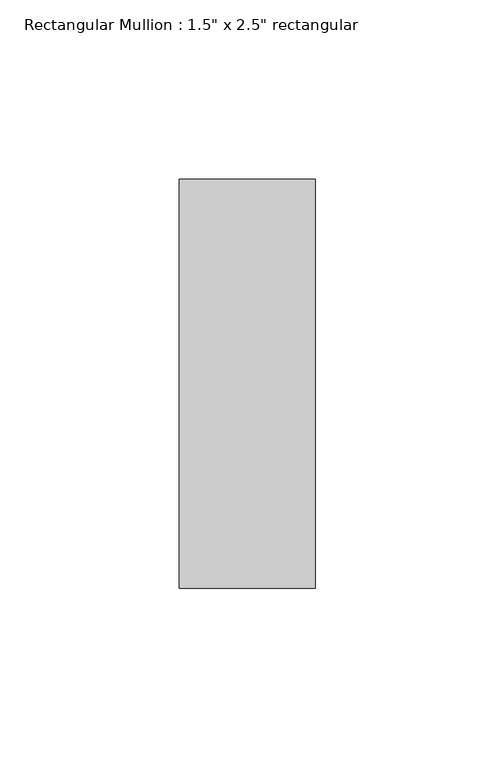
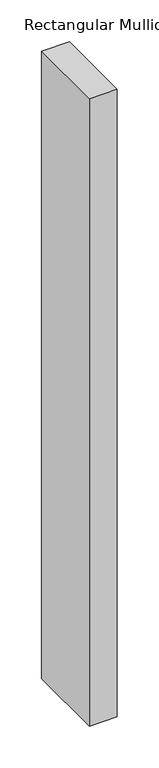
"""IFC4 building model written with IfcOpenShell, lengths in millimetres: member geometry."""

from ifc_helpers import new_model, si_unit, frame, origin, place, context, project, spatial, polyline, outline, extrude, source, transform, mapped, element, save


def member_622fa384(model_context):
    return source(origin(), model_context, "Body", "SweptSolid", [
        extrude(outline(polyline([(19.05, 57.15), (19.05, -57.15), (-19.05, -57.15), (-19.05, 57.15), (19.05, 57.15)])), frame((0.0, 0.0, -914.4), z_axis=(0.0, 0.0, 1.0), x_axis=(1.0, 0.0, 0.0)), (0.0, 0.0, 1.0), 914.4),
    ])


if __name__ == "__main__":
    model = new_model("IFC4")
    model_context = context("Model", 3, world=origin())
    ifc_project = project(units=[si_unit("LENGTHUNIT", "METRE", prefix="MILLI")], contexts=[model_context])
    site = spatial("IfcSite", under=ifc_project)
    building = spatial("IfcBuilding", under=site)
    placement = place(None, origin())
    member_shape = member_622fa384(model_context)
    element("IfcMember", 1, ObjectType="Rectangular Mullion : 1.5\" x 2.5\" rectangular", at=placement, inside=building, context=model_context, shape_type="MappedRepresentation", body=[
        mapped(member_shape, transform((0.0, 0.0, 0.0), x_axis=(1.0, 0.0, 0.0), y_axis=(0.0, 1.0, 0.0), z_axis=(0.0, 0.0, 1.0))),
    ])
    save(model, "model.ifc")
